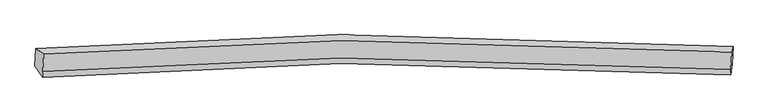
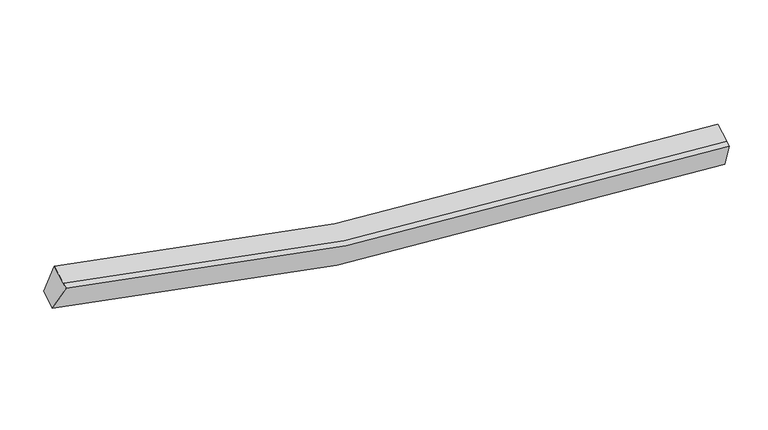
"""IFC4 building model written with IfcOpenShell, lengths in millimetres: proxy geometry."""

import ifcopenshell
import ifcopenshell.guid

model = None  # the IFC model being written
_history = None  # IfcOwnerHistory: only IFC2X3 demands one
_inside = {}  # id of a spatial element -> (the spatial element, [elements in it])
_under = {}  # id of a project, library or spatial element -> (it, [spatial elements below it])
_declared = {}  # id of a project -> (the project, [libraries it declares])
_typed = {}  # id of a type object -> (the type object, [elements of that type])
_made_of = {}  # id of a material, layer set ... -> (it, [elements and type objects made of it])


def new_model(schema):
    """Start an empty IFC model of exactly this schema.

    Asked for "IFC4X3", IfcOpenShell would pick the latest addendum, in which some entities
    have other attributes; the version numbers below select the first issue.
    IFC2X3 requires an IfcOwnerHistory on every rooted entity: one is made here for all.
    """
    global model, _history
    if schema == "IFC4X3":
        model = ifcopenshell.file(schema_version=(4, 3, 0, 0))
    else:
        model = ifcopenshell.file(schema=schema)
    _inside.clear()
    _under.clear()
    _declared.clear()
    _typed.clear()
    _made_of.clear()
    _history = None
    if model.schema == "IFC2X3":
        org = make("IfcOrganization", Name="unknown")
        user = make(
            "IfcPersonAndOrganization",
            ThePerson=make("IfcPerson", FamilyName="unknown"),
            TheOrganization=org,
        )
        app = make(
            "IfcApplication",
            ApplicationDeveloper=org,
            Version="unknown",
            ApplicationFullName="unknown",
            ApplicationIdentifier="unknown",
        )
        _history = make(
            "IfcOwnerHistory",
            OwningUser=user,
            OwningApplication=app,
            ChangeAction="ADDED",
            CreationDate=0,
        )
    return model


def make(cls, **values):
    """One entity of the class cls with the attributes given. An attribute that is None is left unset."""
    return model.create_entity(
        cls, **{name: value for name, value in values.items() if value is not None}
    )


def rooted(cls, **values):
    """An entity with a GlobalId (a new one), such as an element, a storey or a relation."""
    return make(cls, GlobalId=ifcopenshell.guid.new(), OwnerHistory=_history, **values)


def si_unit(unit_type, name, prefix=None):
    """IfcSIUnit, for example si_unit("LENGTHUNIT", "METRE", prefix="MILLI")."""
    return make("IfcSIUnit", UnitType=unit_type, Prefix=prefix, Name=name)


def assignment(units):
    """IfcUnitAssignment: the units of a project."""
    return None if units is None else make("IfcUnitAssignment", Units=units)


def point(xyz):
    """IfcCartesianPoint."""
    return None if xyz is None else make("IfcCartesianPoint", Coordinates=xyz)


def direction(xyz):
    """IfcDirection."""
    return None if xyz is None else make("IfcDirection", DirectionRatios=xyz)


def frame(location, z_axis=None, x_axis=None):
    """IfcAxis2Placement3D, a coordinate frame: its origin and axes. An axis left out is left unset."""
    return make(
        "IfcAxis2Placement3D",
        Location=point(location),
        Axis=direction(z_axis),
        RefDirection=direction(x_axis),
    )


def origin():
    """The frame at (0, 0, 0) with its axes left unset."""
    return frame((0.0, 0.0, 0.0))


def place(relative_to, where):
    """IfcLocalPlacement: puts the frame where relative to a parent placement (None: the world)."""
    return make(
        "IfcLocalPlacement", PlacementRelTo=relative_to, RelativePlacement=where
    )


def context(
    kind, dimensions, precision=None, world=None, true_north=None, identifier=None
):
    """IfcGeometricRepresentationContext, for example the 3D "Model" context."""
    return make(
        "IfcGeometricRepresentationContext",
        ContextIdentifier=identifier,
        ContextType=kind,
        CoordinateSpaceDimension=dimensions,
        Precision=precision,
        WorldCoordinateSystem=world,
        TrueNorth=true_north,
    )


def project(units=None, contexts=None):
    """IfcProject with its units and contexts."""
    return rooted(
        "IfcProject",
        Name="project",
        RepresentationContexts=contexts,
        UnitsInContext=assignment(units),
    )


def spatial(cls, under=None, at=None, **own):
    """A site, building, storey or space (cls), placed at a placement, below another one or the project."""
    s = rooted(cls, ObjectPlacement=at, **own)
    if under is not None:
        _under.setdefault(under.id(), (under, []))[1].append(s)
    return s


def shape(context_of_items, identifier, shape_type, items):
    """IfcShapeRepresentation: the items that make up one representation, for example the "Body"."""
    return make(
        "IfcShapeRepresentation",
        ContextOfItems=context_of_items,
        RepresentationIdentifier=identifier,
        RepresentationType=shape_type,
        Items=items,
    )


def source(mapping_origin, context_of_items, identifier, shape_type, items):
    """IfcRepresentationMap: a shape defined once, which mapped items show again and again."""
    return make(
        "IfcRepresentationMap",
        MappingOrigin=mapping_origin,
        MappedRepresentation=shape(context_of_items, identifier, shape_type, items),
    )


def transform(
    local_origin,
    x_axis=None,
    y_axis=None,
    z_axis=None,
    scale=None,
    scale2=None,
    scale3=None,
    uniform=True,
):
    """IfcCartesianTransformationOperator3D, or its non-uniform kind. x_axis, y_axis, z_axis: its Axis1, 2, 3."""
    if uniform:
        return make(
            "IfcCartesianTransformationOperator3D",
            Axis1=direction(x_axis),
            Axis2=direction(y_axis),
            LocalOrigin=point(local_origin),
            Scale=scale,
            Axis3=direction(z_axis),
        )
    return make(
        "IfcCartesianTransformationOperator3DnonUniform",
        Axis1=direction(x_axis),
        Axis2=direction(y_axis),
        LocalOrigin=point(local_origin),
        Scale=scale,
        Axis3=direction(z_axis),
        Scale2=scale2,
        Scale3=scale3,
    )


def mapped(mapping_source, mapping_target):
    """IfcMappedItem: shows the shape of a source again, moved by a transform."""
    return make(
        "IfcMappedItem", MappingSource=mapping_source, MappingTarget=mapping_target
    )


def made_of(thing, what):
    """Note that an element or type object is made of a material, layer set ...; save() writes the relation."""
    if what is not None:
        _made_of.setdefault(what.id(), (what, []))[1].append(thing)
    return thing


def element(
    cls,
    number,
    at=None,
    inside=None,
    cuts=None,
    type_object=None,
    material=None,
    context=None,
    identifier="Body",
    shape_type=None,
    held_by="IfcProductDefinitionShape",
    body=None,
    shapes=None,
    **own,
):
    """One element of the class cls, such as IfcWall. Its Tag is "e" and its number.

    at: its placement. inside: the storey or other place that contains it. cuts: it is an
    opening in that element (IfcRelVoidsElement). A single representation is given by context,
    identifier, shape_type and body (its items); several are given by shapes. held_by: the class
    of the entity that holds the representations. save() writes the other relations.
    """
    e = rooted(cls, Tag="e%d" % number, ObjectPlacement=at, **own)
    if body is not None:
        shapes = [shape(context, identifier, shape_type, body)]
    if shapes is not None:
        e.Representation = make(held_by, Representations=shapes)
    if inside is not None:
        _inside.setdefault(inside.id(), (inside, []))[1].append(e)
    if cuts is not None:
        rooted(
            "IfcRelVoidsElement", RelatingBuildingElement=cuts, RelatedOpeningElement=e
        )
    if type_object is not None:
        _typed.setdefault(type_object.id(), (type_object, []))[1].append(e)
    return made_of(e, material)


def aggregate(whole, parts):
    """IfcRelAggregates: a whole, such as a stair, and the parts it consists of."""
    return rooted("IfcRelAggregates", RelatingObject=whole, RelatedObjects=parts)


def save(model, path):
    """Write the relations noted so far, then the file.

    IfcRelAggregates (storeys below a building ...), IfcRelContainedInSpatialStructure (elements
    in a storey), IfcRelDefinesByType, IfcRelAssociatesMaterial and IfcRelDeclares: one each for
    every whole, place, type object, material and project.
    """
    for whole, parts in _under.values():
        aggregate(whole, parts)
    for where, things in _inside.values():
        rooted(
            "IfcRelContainedInSpatialStructure",
            RelatedElements=things,
            RelatingStructure=where,
        )
    for kind, things in _typed.values():
        rooted("IfcRelDefinesByType", RelatedObjects=things, RelatingType=kind)
    for what, things in _made_of.values():
        rooted("IfcRelAssociatesMaterial", RelatedObjects=things, RelatingMaterial=what)
    for by, libraries in _declared.values():
        rooted("IfcRelDeclares", RelatingContext=by, RelatedDefinitions=libraries)
    model.write(path)


def plane_surface(at):
    """IfcPlane: the flat surface through the origin of the frame at, square to its z axis."""
    return make("IfcPlane", Position=at)


def spline_curve(degree, points, multiplicities, knots, weights=None):
    """IfcBSplineCurveWithKnots; with weights, IfcRationalBSplineCurveWithKnots."""
    own = dict(
        Degree=degree,
        ControlPointsList=[point(p) for p in points],
        CurveForm="UNSPECIFIED",
        ClosedCurve=False,
        SelfIntersect=False,
        KnotMultiplicities=multiplicities,
        Knots=knots,
        KnotSpec="UNSPECIFIED",
    )
    if weights is None:
        return make("IfcBSplineCurveWithKnots", **own)
    return make("IfcRationalBSplineCurveWithKnots", WeightsData=weights, **own)


def spline_surface(u_degree, v_degree, points, u_multiplicities, v_multiplicities, u_knots, v_knots, weights=None):
    """IfcBSplineSurfaceWithKnots; with weights, IfcRationalBSplineSurfaceWithKnots. points: one row for each step in u."""
    own = dict(
        UDegree=u_degree,
        VDegree=v_degree,
        ControlPointsList=[[point(p) for p in row] for row in points],
        SurfaceForm="UNSPECIFIED",
        UClosed=False,
        VClosed=False,
        SelfIntersect=False,
        UMultiplicities=u_multiplicities,
        VMultiplicities=v_multiplicities,
        UKnots=u_knots,
        VKnots=v_knots,
        KnotSpec="UNSPECIFIED",
    )
    if weights is None:
        return make("IfcBSplineSurfaceWithKnots", **own)
    return make("IfcRationalBSplineSurfaceWithKnots", WeightsData=weights, **own)


def advanced_brep(points, edges, surfaces, faces):
    """IfcAdvancedBrep: a solid bounded by faces that lie on surfaces and meet in shared edges.

    An edge is (start, end): straight between two places in points (the first is 0);
    or (start, end, curve); or (start, end, curve, False) where it runs against its curve.
    A face is (place in surfaces, loops), or (place, loops, False) where it looks against
    its surface's normal. A loop lists edges by number (the first is 1), with a minus sign
    where the edge is run from its end to its start. The first loop is the outer one.
    """
    corners = [point(p) for p in points]
    vertices = [make("IfcVertexPoint", VertexGeometry=c) for c in corners]
    made = []
    for start, end, *more in edges:
        made.append(
            make(
                "IfcEdgeCurve",
                EdgeStart=vertices[start],
                EdgeEnd=vertices[end],
                EdgeGeometry=more[0] if more else make("IfcPolyline", Points=[corners[start], corners[end]]),
                SameSense=more[1] if len(more) > 1 else True,
            )
        )
    hull = []
    for where, loops, *sense in faces:
        bounds = []
        for j, loop in enumerate(loops):
            ring = [make("IfcOrientedEdge", EdgeElement=made[abs(k) - 1], Orientation=k > 0) for k in loop]
            bounds.append(
                make(
                    "IfcFaceOuterBound" if j == 0 else "IfcFaceBound",
                    Bound=make("IfcEdgeLoop", EdgeList=ring),
                    Orientation=True,
                )
            )
        hull.append(make("IfcAdvancedFace", Bounds=bounds, FaceSurface=surfaces[where], SameSense=sense[0] if sense else True))
    return make("IfcAdvancedBrep", Outer=make("IfcClosedShell", CfsFaces=hull))


def generic_models_2225c749(model_context):
    return source(origin(), model_context, "Body", "AdvancedBrep", [
        advanced_brep(
        [(-7852.7356341, -1862.4859024, 4140.6747809), (-7657.0962814, -1999.8487542, 4836.5215138), (9391.8200022, -1943.1559394, 2682.996396), (9423.1636534, -1806.2831187, 1960.7572448), (-7679.3630392, -2437.0906888, 4653.1387939), (9369.5532444, -2380.3978741, 2499.6136761), (-7686.3996302, -2575.2649437, 4595.1874204), (9362.5166534, -2518.5721289, 2441.6623026), (-7874.932996, -2298.365142, 3957.863586), (9400.9662915, -2242.1623583, 1777.9460499)],
        [
            (0, 1),
            (1, 2, spline_curve(3, [(-7657.0962814, -1999.8487542, 4836.5215138), (-5220.394310475, -1803.851958587, 4105.85512113), (-2758.130114603, -1690.259045996, 3557.609925505), (2908.666233557, -1619.216358024, 2724.332294974), (6129.374131873, -1713.911665895, 2554.735784799), (9391.8200022, -1943.1559394, 2682.996396)], [4, 2, 4], [0.0, 25.019585457677348, 56.98986644899527])),
            (2, 3),
            (3, 0, spline_curve(3, [(9423.1636534, -1806.2831187, 1960.7572448), (6117.346361714, -1574.292330574, 1831.214341862), (2853.787057042, -1478.339849775, 2003.016472616), (-2888.468758327, -1549.796394358, 2846.44333348), (-5383.542548967, -1664.483137337, 3401.280380901), (-7852.7356341, -1862.4859024, 4140.6747809)], [4, 2, 4], [0.0, 31.970280991317924, 56.98986644899527])),
            (1, 4),
            (4, 5, spline_curve(3, [(-7679.3630392, -2437.0906888, 4653.1387939), (-5242.661067933, -2241.093892769, 3922.472401195), (-2780.396872312, -2127.500980531, 3374.227205521), (2886.399475641, -2056.458292935, 2540.949574955), (6107.107374152, -2151.153599754, 2371.353064744), (9369.5532444, -2380.3978741, 2499.6136761)], [4, 2, 4], [0.0, 24.854515880608535, 56.61386928597844])),
            (5, 2),
            (4, 6),
            (6, 7, spline_curve(3, [(-7686.3996302, -2575.2649437, 4595.1874204), (-5249.697658933, -2379.268147669, 3864.521027695), (-2787.433463312, -2265.675235331, 3316.275832021), (2879.362884641, -2194.632547735, 2482.998201455), (6100.070783152, -2289.327854554, 2313.401691244), (9362.5166534, -2518.5721289, 2441.6623026)], [4, 2, 4], [0.0, 24.854515880608535, 56.61386928597844])),
            (7, 5),
            (6, 8),
            (8, 9, spline_curve(3, [(-7874.932996, -2298.365142, 3957.863586), (-5405.739910867, -2100.362376937, 3218.469186001), (-2910.666120227, -1985.675633958, 2663.63213858), (2831.589695142, -1914.219089375, 1820.205277716), (6095.148999814, -2010.171570174, 1648.403146962), (9400.9662915, -2242.1623583, 1777.9460499)], [4, 2, 4], [0.0, 25.01958545767736, 56.98986644899529])),
            (9, 7),
            (8, 0),
            (3, 9),
        ],
        [
            spline_surface(3, 3, [[(-7852.7356341, -1862.4859024, 4140.6747809), (-5383.542548971, -1664.483137136, 3401.280380885), (-2888.468758114, -1549.796394561, 2846.443333084), (2853.78705677, -1478.339849515, 2003.016473123), (6117.346361761, -1574.292330859, 1831.21434223), (9423.1636534, -1806.2831187, 1960.7572448)], [(-7787.522516551, -1908.273519651, 4372.623691885), (-5329.159802815, -1710.939410895, 3636.138627725), (-2845.022543536, -1596.617278369, 3083.49886385), (2872.080115634, -1525.298685682, 2243.455080455), (6121.355618446, -1620.832109084, 2072.388156557), (9412.715769675, -1851.907392271, 2201.503628548)], [(-7722.309398949, -1954.061136949, 4604.572602815), (-5274.777056604, -1757.395684702, 3870.996874509), (-2801.576328998, -1643.438162187, 3320.554394622), (2890.373174459, -1572.257521858, 2483.893687793), (6125.364875105, -1667.371887296, 2313.561970839), (9402.267885925, -1897.531665829, 2442.250012252)], [(-7657.0962814, -1999.8487542, 4836.5215138), (-5220.394310448, -1803.851958461, 4105.855121348), (-2758.13011442, -1690.259045995, 3557.609925388), (2908.666233323, -1619.216358025, 2724.332295125), (6129.37413179, -1713.911665521, 2554.735785165), (9391.8200022, -1943.1559394, 2682.996396)]], [4, 4], [4, 2, 4], [0.0, 2.41390336332166], [0.0, 25.019585457677348, 56.98986644899527]),
            spline_surface(3, 3, [[(-7657.0962814, -1999.8487542, 4836.5215138), (-5220.394310448, -1803.851958461, 4105.855121348), (-2758.13011442, -1690.259045995, 3557.609925388), (2908.666233323, -1619.216358025, 2724.332295125), (6129.37413179, -1713.911665521, 2554.735785165), (9391.8200022, -1943.1559394, 2682.996396)], [(-7664.518534, -2145.596065761, 4775.393940493), (-5227.816563048, -1949.599270022, 4044.727548042), (-2765.552367021, -1836.006357556, 3496.482352081), (2901.243980723, -1764.963669586, 2663.204721818), (6121.95187919, -1859.658977081, 2493.608211858), (9384.3977496, -2088.903250961, 2621.868822693)], [(-7671.9407866, -2291.343377239, 4714.266367207), (-5235.238815648, -2095.3465815, 3983.599974755), (-2772.97461962, -1981.753669135, 3435.354778694), (2893.821728124, -1910.710981164, 2602.077148431), (6114.529626591, -2005.40628866, 2432.480638572), (9376.975497, -2234.650562539, 2560.741249407)], [(-7679.3630392, -2437.0906888, 4653.1387939), (-5242.661068248, -2241.093893061, 3922.472401448), (-2780.39687222, -2127.500980695, 3374.227205388), (2886.399475523, -2056.458292725, 2540.949575125), (6107.10737399, -2151.153600221, 2371.353065265), (9369.5532444, -2380.3978741, 2499.6136761)]], [4, 4], [4, 2, 4], [0.0, 1.5572952989123094], [0.0, 24.854515880608535, 56.61386928597844]),
            spline_surface(3, 3, [[(-7679.3630392, -2437.0906888, 4653.1387939), (-5242.661068248, -2241.093893061, 3922.472401448), (-2780.39687222, -2127.500980695, 3374.227205388), (2886.399475523, -2056.458292725, 2540.949575125), (6107.10737399, -2151.153600221, 2371.353065265), (9369.5532444, -2380.3978741, 2499.6136761)], [(-7681.708569536, -2483.14877374, 4633.821669396), (-5245.006598584, -2287.151978001, 3903.155276944), (-2782.742402557, -2173.559065635, 3354.910080884), (2884.053945187, -2102.516377665, 2521.632450621), (6104.761843654, -2197.211685161, 2352.035940761), (9367.207714064, -2426.45595904, 2480.296551596)], [(-7684.054099864, -2529.20685876, 4614.504544904), (-5247.352128912, -2333.210063021, 3883.838152452), (-2785.087932884, -2219.617150555, 3335.592956392), (2881.70841486, -2148.574462585, 2502.315326129), (6102.416313327, -2243.269770081, 2332.718816269), (9364.862183736, -2472.51404396, 2460.979427104)], [(-7686.3996302, -2575.2649437, 4595.1874204), (-5249.697659248, -2379.268147961, 3864.521027948), (-2787.43346322, -2265.675235495, 3316.275831888), (2879.362884523, -2194.632547525, 2482.998201625), (6100.07078299, -2289.327855021, 2313.401691765), (9362.5166534, -2518.5721289, 2441.6623026)]], [4, 4], [4, 2, 4], [0.0, 0.49212598425196474], [0.0, 24.854515880608535, 56.61386928597844]),
            spline_surface(3, 3, [[(-7686.3996302, -2575.2649437, 4595.1874204), (-5249.697659248, -2379.268147961, 3864.521027948), (-2787.43346322, -2265.675235495, 3316.275831888), (2879.362884523, -2194.632547525, 2482.998201625), (6100.07078299, -2289.327855021, 2313.401691765), (9362.5166534, -2518.5721289, 2441.6623026)], [(-7749.244085442, -2482.965009803, 4382.746142283), (-5301.711743098, -2286.299557555, 3649.170413977), (-2828.511015491, -2172.342035041, 3098.72793399), (2863.438487965, -2101.161394712, 2262.067227161), (6098.430188612, -2196.275760149, 2091.735510307), (9375.333199431, -2426.435538682, 2220.42355172)], [(-7812.088540758, -2390.665075897, 4170.304864117), (-5353.725827022, -2193.330967142, 3433.819799956), (-2869.588567743, -2079.008834616, 2881.180036081), (2847.514091427, -2007.690241928, 2041.136252686), (6096.789594239, -2103.223665331, 1870.069328788), (9388.149745469, -2334.298948518, 1999.18480078)], [(-7874.932996, -2298.365142, 3957.863586), (-5405.739910871, -2100.362376736, 3218.469185985), (-2910.666120014, -1985.675634161, 2663.632138184), (2831.58969487, -1914.219089115, 1820.205278223), (6095.148999861, -2010.171570459, 1648.40314733), (9400.9662915, -2242.1623583, 1777.9460499)]], [4, 4], [4, 2, 4], [0.0, 2.3621898567461703], [0.0, 25.01958545767736, 56.98986644899529]),
            spline_surface(3, 3, [[(-7874.932996, -2298.365142, 3957.863586), (-5405.739910871, -2100.362376736, 3218.469185985), (-2910.666120014, -1985.675634161, 2663.632138184), (2831.58969487, -1914.219089115, 1820.205278223), (6095.148999861, -2010.171570459, 1648.40314733), (9400.9662915, -2242.1623583, 1777.9460499)], [(-7867.53387537, -2153.072062145, 4018.800650942), (-5398.340790241, -1955.069296881, 3279.406250928), (-2903.266999384, -1840.382554307, 2724.569203126), (2838.9888155, -1768.92600926, 1881.142343165), (6102.548120491, -1864.878490605, 1709.340212273), (9408.36541213, -2096.869278445, 1838.883114842)], [(-7860.13475473, -2007.778982255, 4079.737715958), (-5390.941669602, -1809.77621699, 3340.343315943), (-2895.867878744, -1695.089474416, 2785.506268141), (2846.387936139, -1623.632929369, 1942.07940818), (6109.947241131, -1719.585410714, 1770.277277288), (9415.76453277, -1951.576198555, 1899.820179858)], [(-7852.7356341, -1862.4859024, 4140.6747809), (-5383.542548971, -1664.483137136, 3401.280380885), (-2888.468758114, -1549.796394561, 2846.443333084), (2853.78705677, -1478.339849515, 2003.016473123), (6117.346361761, -1574.292330859, 1831.21434223), (9423.1636534, -1806.2831187, 1960.7572448)]], [4, 4], [4, 2, 4], [0.0, 1.5524418790224566], [0.0, 25.18465531371119, 57.36586424744148]),
            plane_surface(frame((9394.6166501, -2127.5433863, 2215.8404983), z_axis=(0.9974705970539663, -0.06387508476499049, 0.031183033192255266), x_axis=(0.053402275131231566, 0.3839024592398573, -0.9218281286662922))),
            plane_surface(frame((-7767.7911354, -2183.9911855, 4382.5618253), z_axis=(-0.9639673122553974, -0.05964055864691037, 0.25924896271227316), x_axis=(-0.04691060672828014, -0.9211616987998595, -0.38634249007912863))),
        ],
        [
            (0, [[1, 2, 3, 4]]),
            (1, [[5, 6, 7, -2]]),
            (2, [[8, 9, 10, -6]]),
            (3, [[11, 12, 13, -9]]),
            (4, [[14, -4, 15, -12]]),
            (5, [[-13, -15, -3, -7, -10]]),
            (6, [[-14, -11, -8, -5, -1]]),
        ],
    ),
    ])


if __name__ == "__main__":
    model = new_model("IFC4")
    model_context = context("Model", 3, world=origin())
    ifc_project = project(units=[si_unit("LENGTHUNIT", "METRE", prefix="MILLI")], contexts=[model_context])
    site = spatial("IfcSite", under=ifc_project)
    building = spatial("IfcBuilding", under=site)
    placement = place(None, origin())
    generic_models_shape = generic_models_2225c749(model_context)
    element("IfcBuildingElementProxy", 1, Name="Generic Models", at=placement, inside=building, context=model_context, shape_type="MappedRepresentation", body=[
        mapped(generic_models_shape, transform((0.0, 0.0, 0.0), x_axis=(1.0, 0.0, 0.0), y_axis=(0.0, 1.0, 0.0), z_axis=(0.0, 0.0, 1.0))),
    ])
    save(model, "model.ifc")
